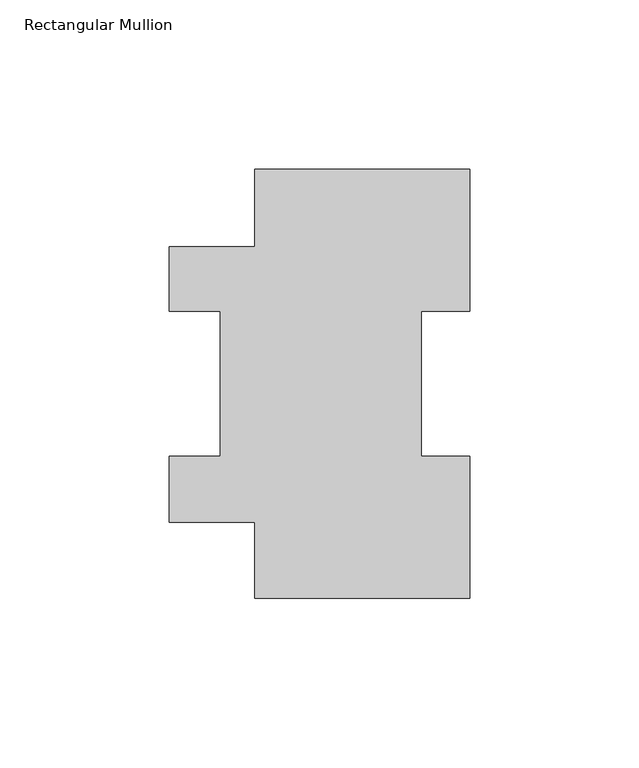
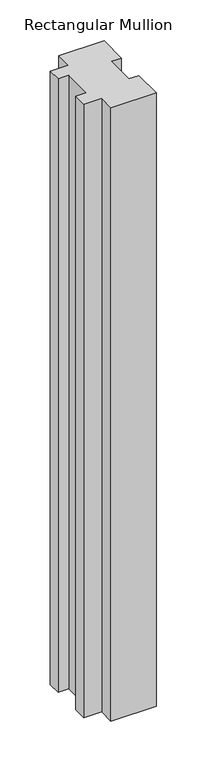
"""IFC4 building model written with IfcOpenShell, lengths in millimetres: member geometry, Rectangular Mullion."""

from ifc_helpers import new_model, si_unit, frame, origin, place, context, project, spatial, polyline, outline, extrude, source, transform, mapped, element, save


def rectangular_mullion_f7201225(model_context):
    return source(origin(), model_context, "Body", "SweptSolid", [
        extrude(outline(polyline([(-31.75, 127.00635), (31.7502713, 127.00635), (31.7502713, 84.93125), (17.4622287, 84.93125), (17.4622287, 42.08145), (31.7497287, 42.08145), (31.7497287, 0.00635), (-31.75, 0.00635), (-31.75, 22.59965), (-57.1497287, 22.59965), (-57.1497287, 42.08145), (-42.0621287, 42.08145), (-42.0621287, 84.93125), (-57.1497287, 84.93125), (-57.1497287, 103.98125), (-31.75, 103.98125), (-31.75, 127.00635)])), frame((0.0, 0.0, -914.4), z_axis=(0.0, 0.0, 1.0), x_axis=(1.0, 0.0, 0.0)), (0.0, 0.0, 1.0), 914.4),
    ])


if __name__ == "__main__":
    model = new_model("IFC4")
    model_context = context("Model", 3, world=origin())
    ifc_project = project(units=[si_unit("LENGTHUNIT", "METRE", prefix="MILLI")], contexts=[model_context])
    site = spatial("IfcSite", under=ifc_project)
    building = spatial("IfcBuilding", under=site)
    placement = place(None, origin())
    rectangular_mullion_shape = rectangular_mullion_f7201225(model_context)
    element("IfcMember", 1, ObjectType="Rectangular Mullion", at=placement, inside=building, context=model_context, shape_type="MappedRepresentation", body=[
        mapped(rectangular_mullion_shape, transform((0.0, 0.0, 0.0), x_axis=(1.0, 0.0, 0.0), y_axis=(0.0, 1.0, 0.0), z_axis=(0.0, 0.0, 1.0))),
    ])
    save(model, "model.ifc")
